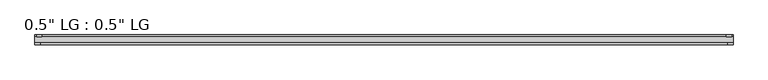
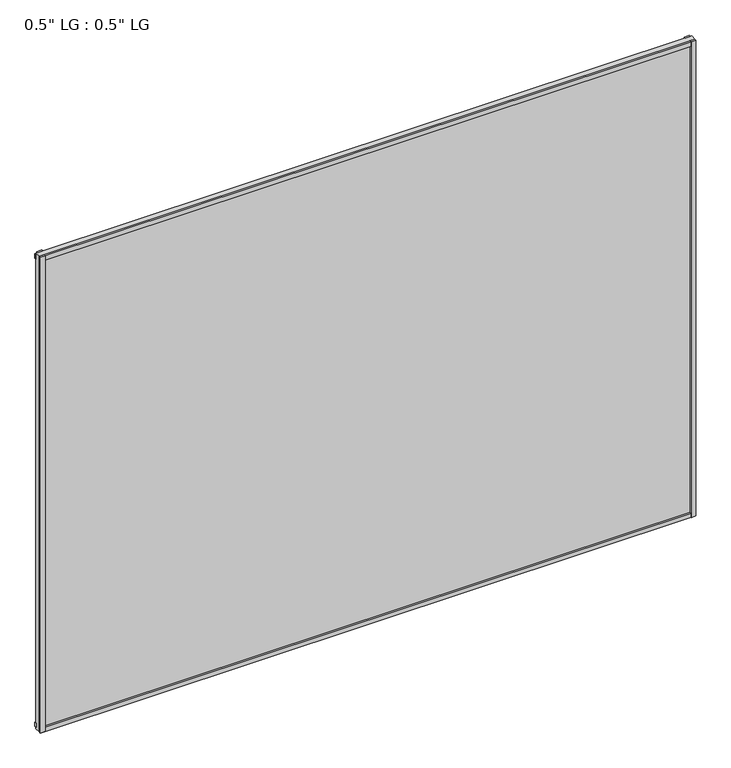
"""IFC4 building model written with IfcOpenShell, lengths in millimetres: plate geometry."""

from ifc_helpers import new_model, si_unit, frame, origin, origin_with_axes, place, context, project, spatial, polyline, outline, extrude, source, transform, mapped, element, save


def plate_b7355e82(model_context):
    return source(origin(), model_context, "Body", "SweptSolid", [
        extrude(outline(polyline([(804.068369, -33.3271813), (804.068369, -38.0007813), (791.9306894, -38.0007813), (791.9306894, -33.3271813), (804.068369, -33.3271813)])), origin_with_axes(), (0.0, 0.0, 1.0), 1233.5256),
        extrude(outline(polyline([(800.5370153, -15.5217813), (800.5370153, -19.7127813), (788.5245915, -19.7127813), (788.5245915, -15.5217813), (800.5370153, -15.5217813)])), origin_with_axes(), (0.0, 0.0, 1.0), 1233.5256),
        extrude(outline(polyline([(-791.777791, -38.0007812), (-804.068369, -38.0007812), (-804.068369, -33.3271813), (-791.777791, -33.3271813), (-791.777791, -38.0007812)])), origin_with_axes(), (0.0, 0.0, 1.0), 1233.5256),
        extrude(outline(polyline([(-787.8185531, -19.7127813), (-800.1091311, -19.7127813), (-800.1091311, -15.5217812), (-787.8185531, -15.5217812), (-787.8185531, -19.7127813)])), origin_with_axes(), (0.0, 0.0, 1.0), 1233.5256),
        extrude(outline(polyline([(804.068369, -33.3271813), (804.068369, -38.0007813), (-804.068369, -38.0007812), (-804.068369, -33.3271813), (804.068369, -33.3271813)])), origin_with_axes(), (0.0, 0.0, 1.0), 11.1693096),
        extrude(outline(polyline([(804.068369, -15.3590708), (804.068369, -20.1364307), (-804.068369, -20.1364307), (-804.068369, -15.3590708), (804.068369, -15.3590708)])), frame((0.0, 0.0, 3.848913), z_axis=(0.0, 0.0, 1.0), x_axis=(1.0, 0.0, 0.0)), (0.0, 0.0, 1.0), 11.1693096),
        extrude(outline(polyline([(804.068369, -33.3271813), (804.068369, -38.0007813), (-804.068369, -38.0007812), (-804.068369, -33.3271813), (804.068369, -33.3271813)])), frame((0.0, 0.0, 1222.3444942), z_axis=(0.0, 0.0, 1.0), x_axis=(1.0, 0.0, 0.0)), (0.0, 0.0, 1.0), 11.1811058),
        extrude(outline(polyline([(804.068369, -15.5217813), (804.068369, -19.7127813), (-804.068369, -19.7127812), (-804.068369, -15.5217813), (804.068369, -15.5217813)])), frame((0.0, 0.0, 1217.7853474), z_axis=(0.0, 0.0, 1.0), x_axis=(1.0, 0.0, 0.0)), (0.0, 0.0, 1.0), 11.1811058),
        extrude(outline(polyline([(804.068369, -33.3271812), (-804.068369, -33.3271812), (-804.068369, -19.7127812), (804.068369, -19.7127812), (804.068369, -33.3271812)])), origin_with_axes(), (0.0, 0.0, 1.0), 1233.5256),
    ])


if __name__ == "__main__":
    model = new_model("IFC4")
    model_context = context("Model", 3, world=origin())
    ifc_project = project(units=[si_unit("LENGTHUNIT", "METRE", prefix="MILLI")], contexts=[model_context])
    site = spatial("IfcSite", under=ifc_project)
    building = spatial("IfcBuilding", under=site)
    placement = place(None, origin())
    plate_shape = plate_b7355e82(model_context)
    element("IfcPlate", 1, ObjectType="0.5\" LG : 0.5\" LG", at=placement, inside=building, context=model_context, shape_type="MappedRepresentation", body=[
        mapped(plate_shape, transform((0.0, 0.0, 0.0), x_axis=(1.0, 0.0, 0.0), y_axis=(0.0, 1.0, 0.0), z_axis=(0.0, 0.0, 1.0))),
    ])
    save(model, "model.ifc")
